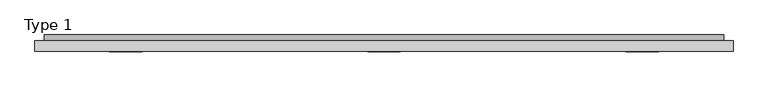
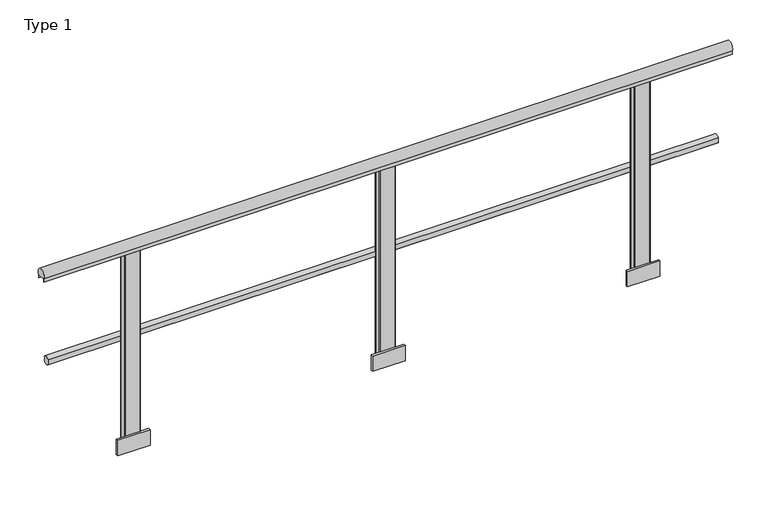
"""IFC4 building model written with IfcOpenShell, lengths in millimetres: railing geometry, Type 1."""

import ifcopenshell
import ifcopenshell.guid

model = None  # the IFC model being written
_history = None  # IfcOwnerHistory: only IFC2X3 demands one
_inside = {}  # id of a spatial element -> (the spatial element, [elements in it])
_under = {}  # id of a project, library or spatial element -> (it, [spatial elements below it])
_declared = {}  # id of a project -> (the project, [libraries it declares])
_typed = {}  # id of a type object -> (the type object, [elements of that type])
_made_of = {}  # id of a material, layer set ... -> (it, [elements and type objects made of it])


def new_model(schema):
    """Start an empty IFC model of exactly this schema.

    Asked for "IFC4X3", IfcOpenShell would pick the latest addendum, in which some entities
    have other attributes; the version numbers below select the first issue.
    IFC2X3 requires an IfcOwnerHistory on every rooted entity: one is made here for all.
    """
    global model, _history
    if schema == "IFC4X3":
        model = ifcopenshell.file(schema_version=(4, 3, 0, 0))
    else:
        model = ifcopenshell.file(schema=schema)
    _inside.clear()
    _under.clear()
    _declared.clear()
    _typed.clear()
    _made_of.clear()
    _history = None
    if model.schema == "IFC2X3":
        org = make("IfcOrganization", Name="unknown")
        user = make(
            "IfcPersonAndOrganization",
            ThePerson=make("IfcPerson", FamilyName="unknown"),
            TheOrganization=org,
        )
        app = make(
            "IfcApplication",
            ApplicationDeveloper=org,
            Version="unknown",
            ApplicationFullName="unknown",
            ApplicationIdentifier="unknown",
        )
        _history = make(
            "IfcOwnerHistory",
            OwningUser=user,
            OwningApplication=app,
            ChangeAction="ADDED",
            CreationDate=0,
        )
    return model


def make(cls, **values):
    """One entity of the class cls with the attributes given. An attribute that is None is left unset."""
    return model.create_entity(
        cls, **{name: value for name, value in values.items() if value is not None}
    )


def rooted(cls, **values):
    """An entity with a GlobalId (a new one), such as an element, a storey or a relation."""
    return make(cls, GlobalId=ifcopenshell.guid.new(), OwnerHistory=_history, **values)


def si_unit(unit_type, name, prefix=None):
    """IfcSIUnit, for example si_unit("LENGTHUNIT", "METRE", prefix="MILLI")."""
    return make("IfcSIUnit", UnitType=unit_type, Prefix=prefix, Name=name)


def assignment(units):
    """IfcUnitAssignment: the units of a project."""
    return None if units is None else make("IfcUnitAssignment", Units=units)


def point(xyz):
    """IfcCartesianPoint."""
    return None if xyz is None else make("IfcCartesianPoint", Coordinates=xyz)


def direction(xyz):
    """IfcDirection."""
    return None if xyz is None else make("IfcDirection", DirectionRatios=xyz)


def frame(location, z_axis=None, x_axis=None):
    """IfcAxis2Placement3D, a coordinate frame: its origin and axes. An axis left out is left unset."""
    return make(
        "IfcAxis2Placement3D",
        Location=point(location),
        Axis=direction(z_axis),
        RefDirection=direction(x_axis),
    )


def frame_2d(location, x_axis=None):
    """IfcAxis2Placement2D, a coordinate frame in the plane: its origin and x axis."""
    return make(
        "IfcAxis2Placement2D", Location=point(location), RefDirection=direction(x_axis)
    )


def origin():
    """The frame at (0, 0, 0) with its axes left unset."""
    return frame((0.0, 0.0, 0.0))


def place(relative_to, where):
    """IfcLocalPlacement: puts the frame where relative to a parent placement (None: the world)."""
    return make(
        "IfcLocalPlacement", PlacementRelTo=relative_to, RelativePlacement=where
    )


def context(
    kind, dimensions, precision=None, world=None, true_north=None, identifier=None
):
    """IfcGeometricRepresentationContext, for example the 3D "Model" context."""
    return make(
        "IfcGeometricRepresentationContext",
        ContextIdentifier=identifier,
        ContextType=kind,
        CoordinateSpaceDimension=dimensions,
        Precision=precision,
        WorldCoordinateSystem=world,
        TrueNorth=true_north,
    )


def project(units=None, contexts=None):
    """IfcProject with its units and contexts."""
    return rooted(
        "IfcProject",
        Name="project",
        RepresentationContexts=contexts,
        UnitsInContext=assignment(units),
    )


def spatial(cls, under=None, at=None, **own):
    """A site, building, storey or space (cls), placed at a placement, below another one or the project."""
    s = rooted(cls, ObjectPlacement=at, **own)
    if under is not None:
        _under.setdefault(under.id(), (under, []))[1].append(s)
    return s


def polyline(points):
    """IfcPolyline through the points."""
    return make("IfcPolyline", Points=[point(p) for p in points])


def circle_curve(where, radius):
    """IfcCircle in the frame where."""
    return make("IfcCircle", Position=where, Radius=radius)


def trimmed(basis, trim1, trim2, sense, master):
    """IfcTrimmedCurve: the piece of a basis curve between two trims."""
    return make(
        "IfcTrimmedCurve",
        BasisCurve=basis,
        Trim1=trim1,
        Trim2=trim2,
        SenseAgreement=sense,
        MasterRepresentation=master,
    )


def segment(curve, same_sense, transition):
    """IfcCompositeCurveSegment."""
    return make(
        "IfcCompositeCurveSegment",
        Transition=transition,
        SameSense=same_sense,
        ParentCurve=curve,
    )


def composite_curve(segments, self_intersect=None):
    """IfcCompositeCurve: segments joined end to end."""
    return make("IfcCompositeCurve", Segments=segments, SelfIntersect=self_intersect)


def outline(outer, holes=None, kind="AREA"):
    """IfcArbitraryClosedProfileDef: a profile drawn as a closed curve; with holes, ...WithVoids."""
    if holes is None:
        return make("IfcArbitraryClosedProfileDef", ProfileType=kind, OuterCurve=outer)
    return make(
        "IfcArbitraryProfileDefWithVoids",
        ProfileType=kind,
        OuterCurve=outer,
        InnerCurves=holes,
    )


def extrude(swept, where, along, depth):
    """IfcExtrudedAreaSolid: the profile swept, set in the frame where, extruded along a direction by depth."""
    return make(
        "IfcExtrudedAreaSolid",
        SweptArea=swept,
        Position=where,
        ExtrudedDirection=direction(along),
        Depth=depth,
    )


def shape(context_of_items, identifier, shape_type, items):
    """IfcShapeRepresentation: the items that make up one representation, for example the "Body"."""
    return make(
        "IfcShapeRepresentation",
        ContextOfItems=context_of_items,
        RepresentationIdentifier=identifier,
        RepresentationType=shape_type,
        Items=items,
    )


def source(mapping_origin, context_of_items, identifier, shape_type, items):
    """IfcRepresentationMap: a shape defined once, which mapped items show again and again."""
    return make(
        "IfcRepresentationMap",
        MappingOrigin=mapping_origin,
        MappedRepresentation=shape(context_of_items, identifier, shape_type, items),
    )


def transform(
    local_origin,
    x_axis=None,
    y_axis=None,
    z_axis=None,
    scale=None,
    scale2=None,
    scale3=None,
    uniform=True,
):
    """IfcCartesianTransformationOperator3D, or its non-uniform kind. x_axis, y_axis, z_axis: its Axis1, 2, 3."""
    if uniform:
        return make(
            "IfcCartesianTransformationOperator3D",
            Axis1=direction(x_axis),
            Axis2=direction(y_axis),
            LocalOrigin=point(local_origin),
            Scale=scale,
            Axis3=direction(z_axis),
        )
    return make(
        "IfcCartesianTransformationOperator3DnonUniform",
        Axis1=direction(x_axis),
        Axis2=direction(y_axis),
        LocalOrigin=point(local_origin),
        Scale=scale,
        Axis3=direction(z_axis),
        Scale2=scale2,
        Scale3=scale3,
    )


def mapped(mapping_source, mapping_target):
    """IfcMappedItem: shows the shape of a source again, moved by a transform."""
    return make(
        "IfcMappedItem", MappingSource=mapping_source, MappingTarget=mapping_target
    )


def made_of(thing, what):
    """Note that an element or type object is made of a material, layer set ...; save() writes the relation."""
    if what is not None:
        _made_of.setdefault(what.id(), (what, []))[1].append(thing)
    return thing


def element(
    cls,
    number,
    at=None,
    inside=None,
    cuts=None,
    type_object=None,
    material=None,
    context=None,
    identifier="Body",
    shape_type=None,
    held_by="IfcProductDefinitionShape",
    body=None,
    shapes=None,
    **own,
):
    """One element of the class cls, such as IfcWall. Its Tag is "e" and its number.

    at: its placement. inside: the storey or other place that contains it. cuts: it is an
    opening in that element (IfcRelVoidsElement). A single representation is given by context,
    identifier, shape_type and body (its items); several are given by shapes. held_by: the class
    of the entity that holds the representations. save() writes the other relations.
    """
    e = rooted(cls, Tag="e%d" % number, ObjectPlacement=at, **own)
    if body is not None:
        shapes = [shape(context, identifier, shape_type, body)]
    if shapes is not None:
        e.Representation = make(held_by, Representations=shapes)
    if inside is not None:
        _inside.setdefault(inside.id(), (inside, []))[1].append(e)
    if cuts is not None:
        rooted(
            "IfcRelVoidsElement", RelatingBuildingElement=cuts, RelatedOpeningElement=e
        )
    if type_object is not None:
        _typed.setdefault(type_object.id(), (type_object, []))[1].append(e)
    return made_of(e, material)


def aggregate(whole, parts):
    """IfcRelAggregates: a whole, such as a stair, and the parts it consists of."""
    return rooted("IfcRelAggregates", RelatingObject=whole, RelatedObjects=parts)


def save(model, path):
    """Write the relations noted so far, then the file.

    IfcRelAggregates (storeys below a building ...), IfcRelContainedInSpatialStructure (elements
    in a storey), IfcRelDefinesByType, IfcRelAssociatesMaterial and IfcRelDeclares: one each for
    every whole, place, type object, material and project.
    """
    for whole, parts in _under.values():
        aggregate(whole, parts)
    for where, things in _inside.values():
        rooted(
            "IfcRelContainedInSpatialStructure",
            RelatedElements=things,
            RelatingStructure=where,
        )
    for kind, things in _typed.values():
        rooted("IfcRelDefinesByType", RelatedObjects=things, RelatingType=kind)
    for what, things in _made_of.values():
        rooted("IfcRelAssociatesMaterial", RelatedObjects=things, RelatingMaterial=what)
    for by, libraries in _declared.values():
        rooted("IfcRelDeclares", RelatingContext=by, RelatedDefinitions=libraries)
    model.write(path)


def type_1_8f95b6a5(model_context):
    return source(origin(), model_context, "Body", "SweptSolid", [
        extrude(outline(composite_curve([segment(trimmed(circle_curve(frame_2d((15.712495, 488.0)), 20.0), [point((34.3, 480.617273))], [point((0.0, 475.6259343))], False, "CARTESIAN"), True, "CONTINUOUS"), segment(polyline([(0.0, 475.6259343), (0.0, 500.3740657)]), True, "CONTINUOUS"), segment(trimmed(circle_curve(frame_2d((15.712495, 488.0)), 20.0), [point((0.0, 500.3740657))], [point((34.3, 495.382727))], False, "CARTESIAN"), True, "CONTINUOUS"), segment(polyline([(34.3, 495.382727), (30.3, 495.382727), (30.3, 480.617273), (34.3, 480.617273)]), True, "CONTINUOUS")], self_intersect=False)), frame((-355.0, 0.0, 0.0), z_axis=(1.0, 0.0, 0.0), x_axis=(0.0, 1.0, 0.0)), (0.0, 0.0, 1.0), 3300.0),
        extrude(outline(composite_curve([segment(trimmed(circle_curve(frame_2d((-19.0, 975.0)), 25.0), [point((-40.0, 961.43534))], [point((2.0, 961.43534))], False, "CARTESIAN"), True, "CONTINUOUS"), segment(polyline([(2.0, 961.43534), (2.0, 943.0), (1.0, 943.0), (1.0, 958.0), (-39.0, 958.0), (-39.0, 943.0), (-40.0, 943.0), (-40.0, 961.43534)]), True, "CONTINUOUS")], self_intersect=False)), frame((-400.0, 0.0, 0.0), z_axis=(1.0, 0.0, 0.0), x_axis=(0.0, 1.0, 0.0)), (0.0, 0.0, 1.0), 3390.0),
        extrude(outline(polyline([(1375.0, -48.5), (1215.0, -48.5), (1215.0, -38.0), (1375.0, -38.0), (1375.0, -48.5)])), frame((0.0, 0.0, -80.0), z_axis=(0.0, 0.0, 1.0), x_axis=(1.0, 0.0, 0.0)), (0.0, 0.0, 1.0), 80.0),
        extrude(outline(composite_curve([segment(trimmed(circle_curve(frame_2d((1260.0, -33.0)), 5.0), [point((1260.0, -38.0))], [point((1255.0, -33.0))], False, "CARTESIAN"), True, "CONTINUOUS"), segment(polyline([(1255.0, -33.0), (1255.0, -5.0)]), True, "CONTINUOUS"), segment(trimmed(circle_curve(frame_2d((1260.0, -5.0)), 5.0), [point((1255.0, -5.0))], [point((1260.0, 0.0))], False, "CARTESIAN"), True, "CONTINUOUS"), segment(polyline([(1260.0, 0.0), (1330.0, 0.0)]), True, "CONTINUOUS"), segment(trimmed(circle_curve(frame_2d((1330.0, -5.0)), 5.0), [point((1330.0, 0.0))], [point((1335.0, -5.0))], False, "CARTESIAN"), True, "CONTINUOUS"), segment(polyline([(1335.0, -5.0), (1335.0, -33.0)]), True, "CONTINUOUS"), segment(trimmed(circle_curve(frame_2d((1330.0, -33.0)), 5.0), [point((1335.0, -33.0))], [point((1330.0, -38.0))], False, "CARTESIAN"), True, "CONTINUOUS"), segment(polyline([(1330.0, -38.0), (1260.0, -38.0)]), True, "CONTINUOUS")], self_intersect=False)), frame((0.0, 0.0, -80.0), z_axis=(0.0, 0.0, 1.0), x_axis=(1.0, 0.0, 0.0)), (0.0, 0.0, 1.0), 1038.0),
        extrude(outline(polyline([(2630.0, -48.5), (2470.0, -48.5), (2470.0, -38.0), (2630.0, -38.0), (2630.0, -48.5)])), frame((0.0, 0.0, -80.0), z_axis=(0.0, 0.0, 1.0), x_axis=(1.0, 0.0, 0.0)), (0.0, 0.0, 1.0), 80.0),
        extrude(outline(composite_curve([segment(trimmed(circle_curve(frame_2d((2515.0, -33.0)), 5.0), [point((2515.0, -38.0))], [point((2510.0, -33.0))], False, "CARTESIAN"), True, "CONTINUOUS"), segment(polyline([(2510.0, -33.0), (2510.0, -5.0)]), True, "CONTINUOUS"), segment(trimmed(circle_curve(frame_2d((2515.0, -5.0)), 5.0), [point((2510.0, -5.0))], [point((2515.0, 0.0))], False, "CARTESIAN"), True, "CONTINUOUS"), segment(polyline([(2515.0, 0.0), (2585.0, 0.0)]), True, "CONTINUOUS"), segment(trimmed(circle_curve(frame_2d((2585.0, -5.0)), 5.0), [point((2585.0, 0.0))], [point((2590.0, -5.0))], False, "CARTESIAN"), True, "CONTINUOUS"), segment(polyline([(2590.0, -5.0), (2590.0, -33.0)]), True, "CONTINUOUS"), segment(trimmed(circle_curve(frame_2d((2585.0, -33.0)), 5.0), [point((2590.0, -33.0))], [point((2585.0, -38.0))], False, "CARTESIAN"), True, "CONTINUOUS"), segment(polyline([(2585.0, -38.0), (2515.0, -38.0)]), True, "CONTINUOUS")], self_intersect=False)), frame((0.0, 0.0, -80.0), z_axis=(0.0, 0.0, 1.0), x_axis=(1.0, 0.0, 0.0)), (0.0, 0.0, 1.0), 1038.0),
        extrude(outline(polyline([(120.0, -48.5), (-40.0, -48.5), (-40.0, -38.0), (120.0, -38.0), (120.0, -48.5)])), frame((0.0, 0.0, -80.0), z_axis=(0.0, 0.0, 1.0), x_axis=(1.0, 0.0, 0.0)), (0.0, 0.0, 1.0), 80.0),
        extrude(outline(composite_curve([segment(trimmed(circle_curve(frame_2d((5.0, -33.0)), 5.0), [point((5.0, -38.0))], [point((0.0, -33.0))], False, "CARTESIAN"), True, "CONTINUOUS"), segment(polyline([(0.0, -33.0), (0.0, -5.0)]), True, "CONTINUOUS"), segment(trimmed(circle_curve(frame_2d((5.0, -5.0)), 5.0), [point((0.0, -5.0))], [point((5.0, 0.0))], False, "CARTESIAN"), True, "CONTINUOUS"), segment(polyline([(5.0, 0.0), (75.0, 0.0)]), True, "CONTINUOUS"), segment(trimmed(circle_curve(frame_2d((75.0, -5.0)), 5.0), [point((75.0, 0.0))], [point((80.0, -5.0))], False, "CARTESIAN"), True, "CONTINUOUS"), segment(polyline([(80.0, -5.0), (80.0, -33.0)]), True, "CONTINUOUS"), segment(trimmed(circle_curve(frame_2d((75.0, -33.0)), 5.0), [point((80.0, -33.0))], [point((75.0, -38.0))], False, "CARTESIAN"), True, "CONTINUOUS"), segment(polyline([(75.0, -38.0), (5.0, -38.0)]), True, "CONTINUOUS")], self_intersect=False)), frame((0.0, 0.0, -80.0), z_axis=(0.0, 0.0, 1.0), x_axis=(1.0, 0.0, 0.0)), (0.0, 0.0, 1.0), 1038.0),
    ])


if __name__ == "__main__":
    model = new_model("IFC4")
    model_context = context("Model", 3, world=origin())
    ifc_project = project(units=[si_unit("LENGTHUNIT", "METRE", prefix="MILLI")], contexts=[model_context])
    site = spatial("IfcSite", under=ifc_project)
    building = spatial("IfcBuilding", under=site)
    placement = place(None, origin())
    type_1_shape = type_1_8f95b6a5(model_context)
    element("IfcRailing", 1, ObjectType="Type 1", at=placement, inside=building, context=model_context, shape_type="MappedRepresentation", body=[
        mapped(type_1_shape, transform((0.0, 0.0, 0.0), x_axis=(1.0, 0.0, 0.0), y_axis=(0.0, 1.0, 0.0), z_axis=(0.0, 0.0, 1.0))),
    ])
    save(model, "model.ifc")
